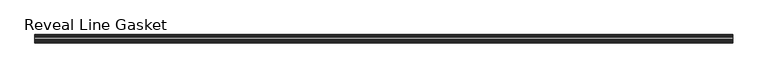
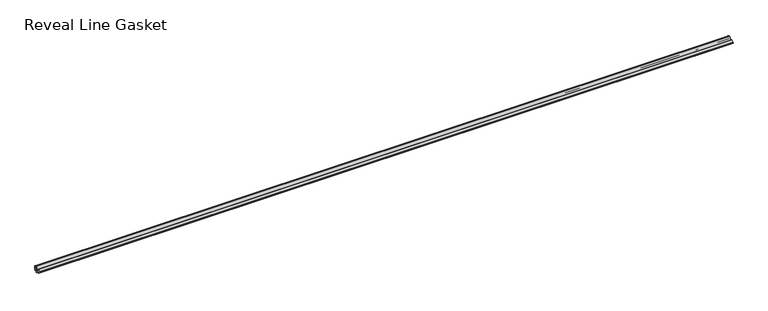
"""IFC4 building model written with IfcOpenShell, lengths in millimetres: furniture geometry, Reveal Line Gasket."""

from ifc_helpers import new_model, si_unit, point, frame, frame_2d, origin, place, context, project, spatial, polyline, circle_curve, trimmed, segment, composite_curve, outline, extrude, source, transform, mapped, element, save


def reveal_line_gasket_4d1e644e(model_context):
    return source(origin(), model_context, "Body", "SweptSolid", [
        extrude(outline(composite_curve([segment(polyline([(7.6326998, 1603.2), (7.6326998, 1597.2), (7.4091917, 1596.2445073), (6.8813059, 1595.3115316)]), True, "CONTINUOUS"), segment(trimmed(circle_curve(frame_2d((6.5243141, 1595.5135207)), 0.4101739), [point((6.8813059, 1595.3115316))], [point((6.1246704, 1595.6058653))], False, "CARTESIAN"), True, "CONTINUOUS"), segment(polyline([(6.1246704, 1595.6058653), (6.3626997, 1597.3020914), (6.3626997, 1599.3345473)]), True, "CONTINUOUS"), segment(trimmed(circle_curve(frame_2d((5.6959605, 1598.9180742)), 0.786124), [point((6.3626997, 1599.3345473))], [point((5.0926996, 1599.422125))], True, "CARTESIAN"), True, "CONTINUOUS"), segment(polyline([(5.0926996, 1599.422125), (0.7492996, 1599.422125), (3.7293824, 1594.2604705)]), True, "CONTINUOUS"), segment(trimmed(circle_curve(frame_2d((3.3132479, 1594.1950239)), 0.4212495), [point((3.7293824, 1594.2604705))], [point((3.0485022, 1593.8673642))], False, "CARTESIAN"), True, "CONTINUOUS"), segment(polyline([(3.0485022, 1593.8673642), (-0.5742594, 1599.422125), (-4.8262978, 1599.422125), (-3.1660374, 1596.5464703)]), True, "CONTINUOUS"), segment(trimmed(circle_curve(frame_2d((-3.5978728, 1596.4881145)), 0.4357605), [point((-3.1660374, 1596.5464703))], [point((-3.864328, 1596.1433119))], False, "CARTESIAN"), True, "CONTINUOUS"), segment(polyline([(-3.864328, 1596.1433119), (-6.1944059, 1599.422125), (-7.6326998, 1599.422125), (-7.6326998, 1600.977875), (-6.1944059, 1600.977875), (-3.864328, 1604.2566881)]), True, "CONTINUOUS"), segment(trimmed(circle_curve(frame_2d((-3.5978728, 1603.9118855)), 0.4357605), [point((-3.864328, 1604.2566881))], [point((-3.1660374, 1603.8535297))], False, "CARTESIAN"), True, "CONTINUOUS"), segment(polyline([(-3.1660374, 1603.8535297), (-4.8262978, 1600.977875), (-0.5742594, 1600.977875), (3.0485022, 1606.5326358)]), True, "CONTINUOUS"), segment(trimmed(circle_curve(frame_2d((3.3132479, 1606.2049761)), 0.4212495), [point((3.0485022, 1606.5326358))], [point((3.7293824, 1606.1395295))], False, "CARTESIAN"), True, "CONTINUOUS"), segment(polyline([(3.7293824, 1606.1395295), (0.7492996, 1600.977875), (5.0926996, 1600.977875)]), True, "CONTINUOUS"), segment(trimmed(circle_curve(frame_2d((5.6959605, 1601.4819258)), 0.786124), [point((5.0926996, 1600.977875))], [point((6.3626997, 1601.0654527))], True, "CARTESIAN"), True, "CONTINUOUS"), segment(polyline([(6.3626997, 1601.0654527), (6.3626997, 1603.0979086), (6.1246704, 1604.7941347)]), True, "CONTINUOUS"), segment(trimmed(circle_curve(frame_2d((6.5243141, 1604.8864793)), 0.4101739), [point((6.1246704, 1604.7941347))], [point((6.8813059, 1605.0884684))], False, "CARTESIAN"), True, "CONTINUOUS"), segment(polyline([(6.8813059, 1605.0884684), (7.4091917, 1604.1554927), (7.6326998, 1603.2)]), True, "CONTINUOUS")], self_intersect=False)), frame((-639.4749999, 0.0, 0.0), z_axis=(1.0, 0.0, 0.0), x_axis=(0.0, 1.0, 0.0)), (0.0, 0.0, 1.0), 1278.9499999),
    ])


if __name__ == "__main__":
    model = new_model("IFC4")
    model_context = context("Model", 3, world=origin())
    ifc_project = project(units=[si_unit("LENGTHUNIT", "METRE", prefix="MILLI")], contexts=[model_context])
    site = spatial("IfcSite", under=ifc_project)
    building = spatial("IfcBuilding", under=site)
    placement = place(None, origin())
    reveal_line_gasket_shape = reveal_line_gasket_4d1e644e(model_context)
    element("IfcFurniture", 1, ObjectType="Reveal Line Gasket", at=placement, inside=building, context=model_context, shape_type="MappedRepresentation", body=[
        mapped(reveal_line_gasket_shape, transform((0.0, 0.0, 0.0), x_axis=(1.0, 0.0, 0.0), y_axis=(0.0, 1.0, 0.0), z_axis=(0.0, 0.0, 1.0))),
    ])
    save(model, "model.ifc")
